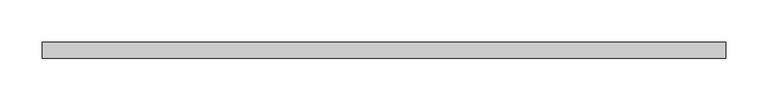
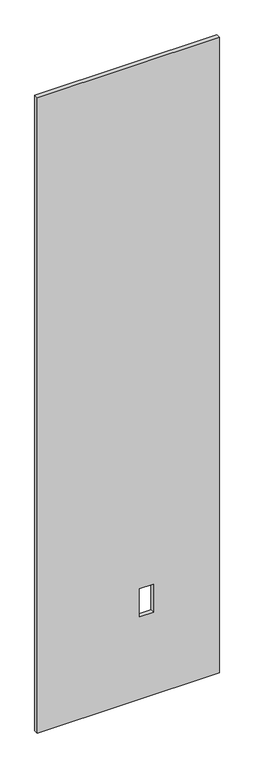
"""IFC4 building model written with IfcOpenShell, lengths in millimetres: proxy geometry."""

from ifc_helpers import new_model, si_unit, frame, origin, place, context, project, spatial, polyline, outline, extrude, source, transform, mapped, element, save


def specialty_equipment_169dbded(model_context):
    return source(origin(), model_context, "Body", "SweptSolid", [
        extrude(outline(polyline([(2999.5368001, 406.3582328), (2999.5368001, -406.3582328), (3.175, -406.3582328), (3.175, 406.3582328), (2999.5368001, 406.3582328)]), holes=[polyline([(522.478, 112.8268), (391.922, 112.8268), (391.922, 51.3588), (522.478, 51.3588), (522.478, 112.8268)])]), frame((0.0, -9.525, 0.0), z_axis=(0.0, 1.0, 0.0), x_axis=(0.0, 0.0, 1.0)), (0.0, 0.0, 1.0), 19.05),
    ])


if __name__ == "__main__":
    model = new_model("IFC4")
    model_context = context("Model", 3, world=origin())
    ifc_project = project(units=[si_unit("LENGTHUNIT", "METRE", prefix="MILLI")], contexts=[model_context])
    site = spatial("IfcSite", under=ifc_project)
    building = spatial("IfcBuilding", under=site)
    placement = place(None, origin())
    specialty_equipment_shape = specialty_equipment_169dbded(model_context)
    element("IfcBuildingElementProxy", 1, Name="Specialty Equipment", at=placement, inside=building, context=model_context, shape_type="MappedRepresentation", body=[
        mapped(specialty_equipment_shape, transform((0.0, 0.0, 0.0), x_axis=(1.0, 0.0, 0.0), y_axis=(0.0, 1.0, 0.0), z_axis=(0.0, 0.0, 1.0))),
    ])
    save(model, "model.ifc")
